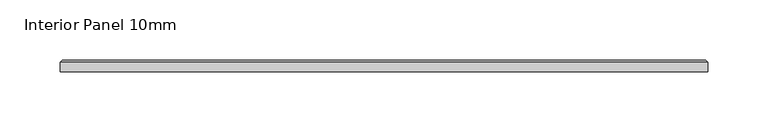
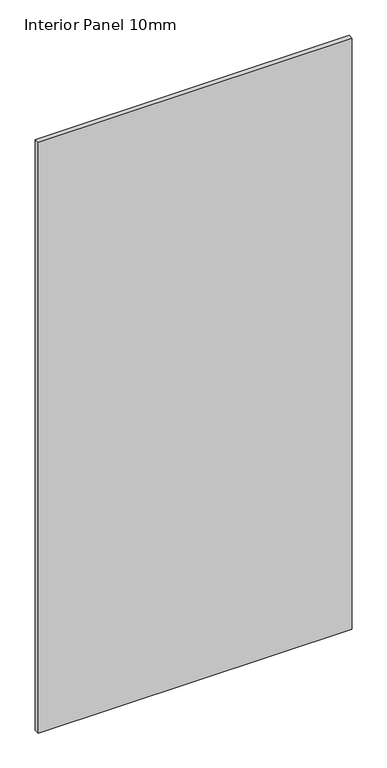
"""IFC4 building model written with IfcOpenShell, lengths in millimetres: proxy geometry, Interior Panel 10mm."""

from ifc_helpers import new_model, si_unit, origin, place, context, project, spatial, faceted_brep, source, transform, mapped, element, save


def interior_panel_10mm_bdffc4b6(model_context):
    return source(origin(), model_context, "Body", "Brep", [
        faceted_brep([(461.9625, -3.175, 1063.625), (461.9625, 4.7625, 1063.625), (-73.025, 4.7625, 1063.625), (-73.025, -3.175, 1063.625), (461.9625, -3.175, 0.0), (-73.025, -3.175, 0.0), (-73.025, 4.7625, 0.0), (461.9625, 4.7625, 0.0), (-71.4375, 6.35, 1062.0375), (460.375, 6.35, 1062.0375), (460.375, 6.35, 1.5875), (-71.4375, 6.35, 1.5875)], [[[0, 1, 2, 3]], [[4, 5, 6, 7]], [[3, 5, 4, 0]], [[2, 6, 5, 3]], [[8, 9, 10, 11]], [[0, 4, 7, 1]], [[2, 8, 11, 6]], [[7, 10, 9, 1]], [[1, 9, 8, 2]], [[6, 11, 10, 7]]]),
    ])


if __name__ == "__main__":
    model = new_model("IFC4")
    model_context = context("Model", 3, world=origin())
    ifc_project = project(units=[si_unit("LENGTHUNIT", "METRE", prefix="MILLI")], contexts=[model_context])
    site = spatial("IfcSite", under=ifc_project)
    building = spatial("IfcBuilding", under=site)
    placement = place(None, origin())
    interior_panel_10mm_shape = interior_panel_10mm_bdffc4b6(model_context)
    element("IfcBuildingElementProxy", 1, Name="Interior Panel 10mm", ObjectType="Interior Panel 10mm", at=placement, inside=building, context=model_context, shape_type="MappedRepresentation", body=[
        mapped(interior_panel_10mm_shape, transform((0.0, 0.0, 0.0), x_axis=(1.0, 0.0, 0.0), y_axis=(0.0, 1.0, 0.0), z_axis=(0.0, 0.0, 1.0))),
    ])
    save(model, "model.ifc")
